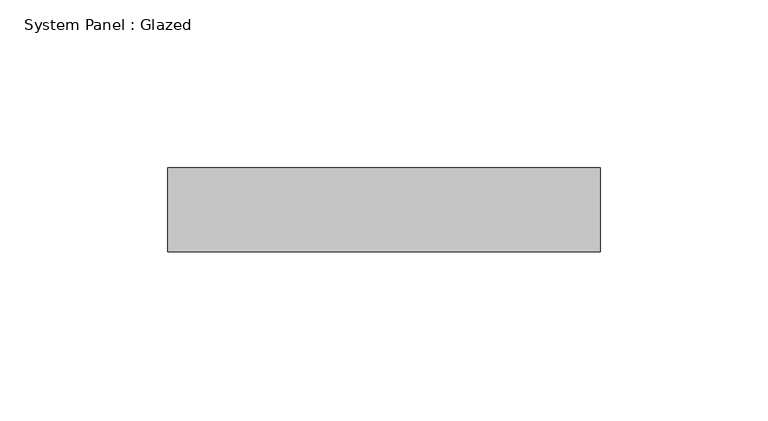
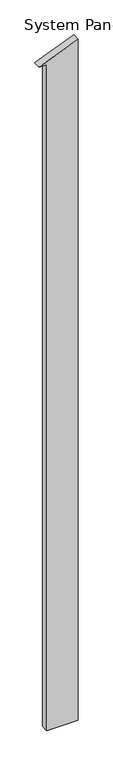
"""IFC4 building model written with IfcOpenShell, lengths in millimetres: plate geometry, System Panel : Glazed."""

from ifc_helpers import new_model, si_unit, frame, origin, place, context, project, spatial, polyline, outline, extrude, source, transform, mapped, element, save


def system_panel_glazed_526b6f55(model_context):
    return source(origin(), model_context, "Body", "SweptSolid", [
        extrude(outline(polyline([(0.0, -39.5), (0.0, 64.5), (2368.7457626, 64.5), (2317.3644067, -64.5), (2317.3644067, -39.5), (0.0, -39.5)])), frame((0.0, 24.5, 0.0), z_axis=(0.0, 1.0, 0.0), x_axis=(0.0, 0.0, 1.0)), (0.0, 0.0, 1.0), 25.0),
    ])


if __name__ == "__main__":
    model = new_model("IFC4")
    model_context = context("Model", 3, world=origin())
    ifc_project = project(units=[si_unit("LENGTHUNIT", "METRE", prefix="MILLI")], contexts=[model_context])
    site = spatial("IfcSite", under=ifc_project)
    building = spatial("IfcBuilding", under=site)
    placement = place(None, origin())
    system_panel_glazed_shape = system_panel_glazed_526b6f55(model_context)
    element("IfcPlate", 1, ObjectType="System Panel : Glazed", at=placement, inside=building, context=model_context, shape_type="MappedRepresentation", body=[
        mapped(system_panel_glazed_shape, transform((0.0, 0.0, 0.0), x_axis=(1.0, 0.0, 0.0), y_axis=(0.0, 1.0, 0.0), z_axis=(0.0, 0.0, 1.0))),
    ])
    save(model, "model.ifc")
